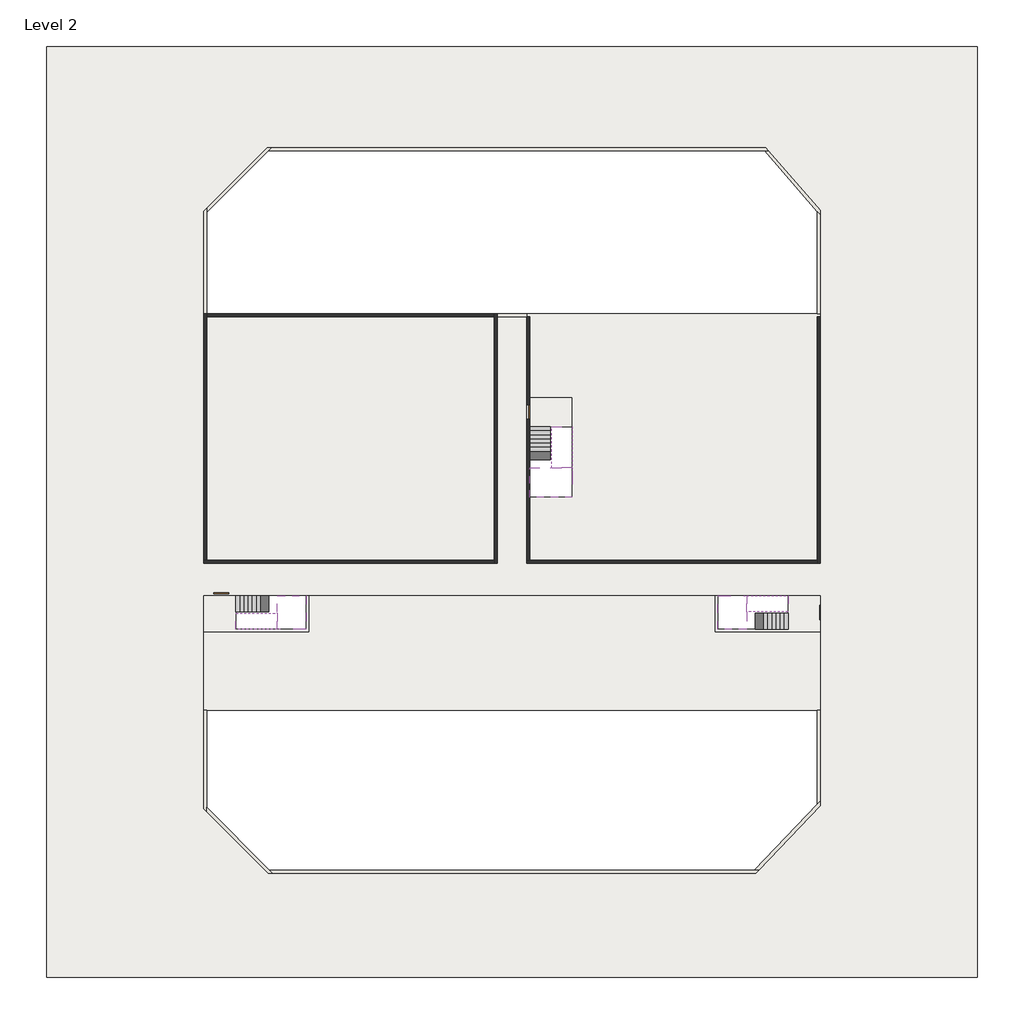
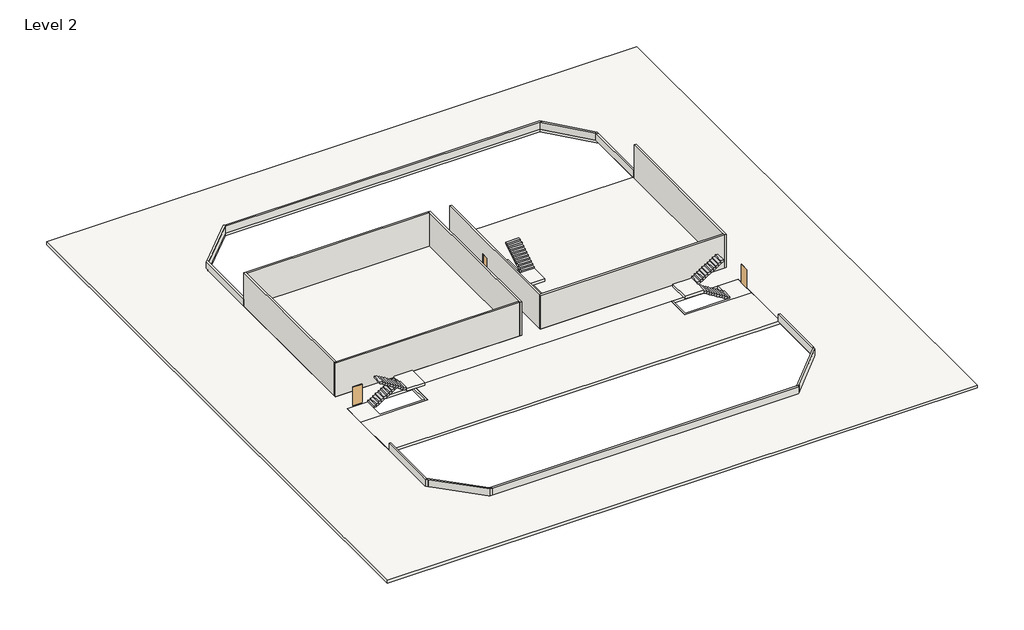
# One storey: 18 walls, 6 slabs, 6 stair flights, 3 doors.
"""IFC4 building model written with IfcOpenShell, lengths in millimetres."""

import ifcopenshell
import ifcopenshell.guid

model = None  # the IFC model being written
_history = None  # IfcOwnerHistory: only IFC2X3 demands one
_inside = {}  # id of a spatial element -> (the spatial element, [elements in it])
_under = {}  # id of a project, library or spatial element -> (it, [spatial elements below it])
_declared = {}  # id of a project -> (the project, [libraries it declares])
_typed = {}  # id of a type object -> (the type object, [elements of that type])
_made_of = {}  # id of a material, layer set ... -> (it, [elements and type objects made of it])


def new_model(schema):
    """Start an empty IFC model of exactly this schema.

    Asked for "IFC4X3", IfcOpenShell would pick the latest addendum, in which some entities
    have other attributes; the version numbers below select the first issue.
    IFC2X3 requires an IfcOwnerHistory on every rooted entity: one is made here for all.
    """
    global model, _history
    if schema == "IFC4X3":
        model = ifcopenshell.file(schema_version=(4, 3, 0, 0))
    else:
        model = ifcopenshell.file(schema=schema)
    _inside.clear()
    _under.clear()
    _declared.clear()
    _typed.clear()
    _made_of.clear()
    _history = None
    if model.schema == "IFC2X3":
        org = make("IfcOrganization", Name="unknown")
        user = make(
            "IfcPersonAndOrganization",
            ThePerson=make("IfcPerson", FamilyName="unknown"),
            TheOrganization=org,
        )
        app = make(
            "IfcApplication",
            ApplicationDeveloper=org,
            Version="unknown",
            ApplicationFullName="unknown",
            ApplicationIdentifier="unknown",
        )
        _history = make(
            "IfcOwnerHistory",
            OwningUser=user,
            OwningApplication=app,
            ChangeAction="ADDED",
            CreationDate=0,
        )
    return model


def make(cls, **values):
    """One entity of the class cls with the attributes given. An attribute that is None is left unset."""
    return model.create_entity(
        cls, **{name: value for name, value in values.items() if value is not None}
    )


def rooted(cls, **values):
    """An entity with a GlobalId (a new one), such as an element, a storey or a relation."""
    return make(cls, GlobalId=ifcopenshell.guid.new(), OwnerHistory=_history, **values)


def si_unit(unit_type, name, prefix=None):
    """IfcSIUnit, for example si_unit("LENGTHUNIT", "METRE", prefix="MILLI")."""
    return make("IfcSIUnit", UnitType=unit_type, Prefix=prefix, Name=name)


def assignment(units):
    """IfcUnitAssignment: the units of a project."""
    return None if units is None else make("IfcUnitAssignment", Units=units)


def point(xyz):
    """IfcCartesianPoint."""
    return None if xyz is None else make("IfcCartesianPoint", Coordinates=xyz)


def direction(xyz):
    """IfcDirection."""
    return None if xyz is None else make("IfcDirection", DirectionRatios=xyz)


def frame(location, z_axis=None, x_axis=None):
    """IfcAxis2Placement3D, a coordinate frame: its origin and axes. An axis left out is left unset."""
    return make(
        "IfcAxis2Placement3D",
        Location=point(location),
        Axis=direction(z_axis),
        RefDirection=direction(x_axis),
    )


def origin():
    """The frame at (0, 0, 0) with its axes left unset."""
    return frame((0.0, 0.0, 0.0))


def origin_with_axes():
    """The frame at (0, 0, 0) with the z axis (0, 0, 1) and the x axis (1, 0, 0) written out."""
    return frame((0.0, 0.0, 0.0), z_axis=(0.0, 0.0, 1.0), x_axis=(1.0, 0.0, 0.0))


def place(relative_to, where):
    """IfcLocalPlacement: puts the frame where relative to a parent placement (None: the world)."""
    return make(
        "IfcLocalPlacement", PlacementRelTo=relative_to, RelativePlacement=where
    )


def context(
    kind, dimensions, precision=None, world=None, true_north=None, identifier=None
):
    """IfcGeometricRepresentationContext, for example the 3D "Model" context."""
    return make(
        "IfcGeometricRepresentationContext",
        ContextIdentifier=identifier,
        ContextType=kind,
        CoordinateSpaceDimension=dimensions,
        Precision=precision,
        WorldCoordinateSystem=world,
        TrueNorth=true_north,
    )


def project(units=None, contexts=None):
    """IfcProject with its units and contexts."""
    return rooted(
        "IfcProject",
        Name="project",
        RepresentationContexts=contexts,
        UnitsInContext=assignment(units),
    )


def spatial(cls, under=None, at=None, **own):
    """A site, building, storey or space (cls), placed at a placement, below another one or the project."""
    s = rooted(cls, ObjectPlacement=at, **own)
    if under is not None:
        _under.setdefault(under.id(), (under, []))[1].append(s)
    return s


def polyline(points):
    """IfcPolyline through the points."""
    return make("IfcPolyline", Points=[point(p) for p in points])


def outline(outer, holes=None, kind="AREA"):
    """IfcArbitraryClosedProfileDef: a profile drawn as a closed curve; with holes, ...WithVoids."""
    if holes is None:
        return make("IfcArbitraryClosedProfileDef", ProfileType=kind, OuterCurve=outer)
    return make(
        "IfcArbitraryProfileDefWithVoids",
        ProfileType=kind,
        OuterCurve=outer,
        InnerCurves=holes,
    )


def extrude(swept, where, along, depth):
    """IfcExtrudedAreaSolid: the profile swept, set in the frame where, extruded along a direction by depth."""
    return make(
        "IfcExtrudedAreaSolid",
        SweptArea=swept,
        Position=where,
        ExtrudedDirection=direction(along),
        Depth=depth,
    )


def faces_of(points, faces, orient=None, outer=None):
    """IfcFace entities. A face is a list of loops; a loop is a list of indices into points, from 0.

    orient and outer hold one flag for each loop. By default every Orientation is true, the
    first loop of a face is its IfcFaceOuterBound and the others are IfcFaceBound.
    """
    made = []
    for i, loops in enumerate(faces):
        bounds = []
        for j, loop in enumerate(loops):
            is_outer = j == 0 if outer is None else outer[i][j]
            bounds.append(
                make(
                    "IfcFaceOuterBound" if is_outer else "IfcFaceBound",
                    Bound=make("IfcPolyLoop", Polygon=[points[k] for k in loop]),
                    Orientation=True if orient is None else orient[i][j],
                )
            )
        made.append(make("IfcFace", Bounds=bounds))
    return made


def faceted_brep(points, faces, orient=None, outer=None, voids=None):
    """IfcFacetedBrep: a solid bounded by flat faces; with voids (closed shells), ...WithVoids."""
    shared = [point(p) for p in points]
    hull = make("IfcClosedShell", CfsFaces=faces_of(shared, faces, orient, outer))
    if voids is None:
        return make("IfcFacetedBrep", Outer=hull)
    return make(
        "IfcFacetedBrepWithVoids",
        Outer=hull,
        Voids=[
            make(cls, CfsFaces=faces_of(shared, fs, o, b)) for cls, fs, o, b in voids
        ],
    )


def shape(context_of_items, identifier, shape_type, items):
    """IfcShapeRepresentation: the items that make up one representation, for example the "Body"."""
    return make(
        "IfcShapeRepresentation",
        ContextOfItems=context_of_items,
        RepresentationIdentifier=identifier,
        RepresentationType=shape_type,
        Items=items,
    )


def source(mapping_origin, context_of_items, identifier, shape_type, items):
    """IfcRepresentationMap: a shape defined once, which mapped items show again and again."""
    return make(
        "IfcRepresentationMap",
        MappingOrigin=mapping_origin,
        MappedRepresentation=shape(context_of_items, identifier, shape_type, items),
    )


def transform(
    local_origin,
    x_axis=None,
    y_axis=None,
    z_axis=None,
    scale=None,
    scale2=None,
    scale3=None,
    uniform=True,
):
    """IfcCartesianTransformationOperator3D, or its non-uniform kind. x_axis, y_axis, z_axis: its Axis1, 2, 3."""
    if uniform:
        return make(
            "IfcCartesianTransformationOperator3D",
            Axis1=direction(x_axis),
            Axis2=direction(y_axis),
            LocalOrigin=point(local_origin),
            Scale=scale,
            Axis3=direction(z_axis),
        )
    return make(
        "IfcCartesianTransformationOperator3DnonUniform",
        Axis1=direction(x_axis),
        Axis2=direction(y_axis),
        LocalOrigin=point(local_origin),
        Scale=scale,
        Axis3=direction(z_axis),
        Scale2=scale2,
        Scale3=scale3,
    )


def mapped(mapping_source, mapping_target):
    """IfcMappedItem: shows the shape of a source again, moved by a transform."""
    return make(
        "IfcMappedItem", MappingSource=mapping_source, MappingTarget=mapping_target
    )


def made_of(thing, what):
    """Note that an element or type object is made of a material, layer set ...; save() writes the relation."""
    if what is not None:
        _made_of.setdefault(what.id(), (what, []))[1].append(thing)
    return thing


def element(
    cls,
    number,
    at=None,
    inside=None,
    cuts=None,
    type_object=None,
    material=None,
    context=None,
    identifier="Body",
    shape_type=None,
    held_by="IfcProductDefinitionShape",
    body=None,
    shapes=None,
    **own,
):
    """One element of the class cls, such as IfcWall. Its Tag is "e" and its number.

    at: its placement. inside: the storey or other place that contains it. cuts: it is an
    opening in that element (IfcRelVoidsElement). A single representation is given by context,
    identifier, shape_type and body (its items); several are given by shapes. held_by: the class
    of the entity that holds the representations. save() writes the other relations.
    """
    e = rooted(cls, Tag="e%d" % number, ObjectPlacement=at, **own)
    if body is not None:
        shapes = [shape(context, identifier, shape_type, body)]
    if shapes is not None:
        e.Representation = make(held_by, Representations=shapes)
    if inside is not None:
        _inside.setdefault(inside.id(), (inside, []))[1].append(e)
    if cuts is not None:
        rooted(
            "IfcRelVoidsElement", RelatingBuildingElement=cuts, RelatedOpeningElement=e
        )
    if type_object is not None:
        _typed.setdefault(type_object.id(), (type_object, []))[1].append(e)
    return made_of(e, material)


def aggregate(whole, parts):
    """IfcRelAggregates: a whole, such as a stair, and the parts it consists of."""
    return rooted("IfcRelAggregates", RelatingObject=whole, RelatedObjects=parts)


def save(model, path):
    """Write the relations noted so far, then the file.

    IfcRelAggregates (storeys below a building ...), IfcRelContainedInSpatialStructure (elements
    in a storey), IfcRelDefinesByType, IfcRelAssociatesMaterial and IfcRelDeclares: one each for
    every whole, place, type object, material and project.
    """
    for whole, parts in _under.values():
        aggregate(whole, parts)
    for where, things in _inside.values():
        rooted(
            "IfcRelContainedInSpatialStructure",
            RelatedElements=things,
            RelatingStructure=where,
        )
    for kind, things in _typed.values():
        rooted("IfcRelDefinesByType", RelatedObjects=things, RelatingType=kind)
    for what, things in _made_of.values():
        rooted("IfcRelAssociatesMaterial", RelatedObjects=things, RelatingMaterial=what)
    for by, libraries in _declared.values():
        rooted("IfcRelDeclares", RelatingContext=by, RelatedDefinitions=libraries)
    model.write(path)


def door_fb3c37fd(model_context):
    return source(origin(), model_context, "Body", "SweptSolid", [
        extrude(outline(polyline([(500.0, 49.0), (-500.0, 49.0), (-500.0, 100.0), (500.0, 100.0), (500.0, 49.0)])), origin_with_axes(), (0.0, 0.0, 1.0), 2100.0),
    ])


def door_0317a72c(model_context):
    return source(origin(), model_context, "Body", "SweptSolid", [
        extrude(outline(polyline([(500.0, -49.0), (500.0, -100.0), (-500.0, -100.0), (-500.0, -49.0), (500.0, -49.0)])), origin_with_axes(), (0.0, 0.0, 1.0), 2100.0),
    ])


model = new_model("IFC4")

# Units and contexts
model_context = context("Model", 3, world=origin())
ifc_project = project(units=[si_unit("LENGTHUNIT", "METRE", prefix="MILLI")], contexts=[model_context])

# Site, building, storey
site = spatial("IfcSite", under=ifc_project)
building = spatial("IfcBuilding", under=site)
storey = spatial("IfcBuildingStorey", under=building, Name="Level 2", Elevation=3800.0)

# Doors
placement = place(None, origin())
door_shape = door_fb3c37fd(model_context)
element("IfcDoor", 1, at=placement, inside=storey, context=model_context, shape_type="MappedRepresentation", body=[
    mapped(door_shape, transform((45090.1058784, -44068.09644, 3800.0), x_axis=(0.0, -1.0, 0.0), y_axis=(1.0, 0.0, 0.0), z_axis=(0.0, 0.0, 1.0))),
])
door_2_shape = door_0317a72c(model_context)
element("IfcDoor", 2, at=placement, inside=storey, context=model_context, shape_type="MappedRepresentation", body=[
    mapped(door_2_shape, transform((25290.1058784, -30418.09644, 3800.0), x_axis=(0.0, 1.0, 0.0), y_axis=(-1.0, 0.0, 0.0), z_axis=(0.0, 0.0, 1.0))),
])
element("IfcDoor", 3, at=placement, inside=storey, context=model_context, shape_type="MappedRepresentation", body=[
    mapped(door_2_shape, transform((4390.1058784, -42818.09644, 3800.0), x_axis=(-1.0, 0.0, 0.0), y_axis=(0.0, -1.0, 0.0), z_axis=(0.0, 0.0, 1.0))),
])

# Slabs
element("IfcSlab", 4, at=placement, inside=storey, context=model_context, shape_type="Brep", body=[
    faceted_brep([(8190.1058784, -42918.09644, 5700.0), (8190.1058784, -44018.09644, 5700.0), (8190.1058784, -44118.09644, 5700.0), (8190.1058784, -45218.09644, 5700.0), (8390.7194421, -45218.09644, 5700.0), (10190.1058784, -45218.09644, 5700.0), (10190.1058784, -42918.09644, 5700.0), (8269.4923146, -42918.09644, 5700.0), (8190.1058784, -42918.09644, 5527.2727273), (8190.1058784, -42918.09644, 5351.0278478), (8190.1058784, -44018.09644, 5351.0278478), (8190.1058784, -44018.09644, 5400.0), (8190.1058784, -44118.09644, 5400.0), (8190.1058784, -44118.09644, 5523.7551205), (8190.1058784, -45218.09644, 5523.7551205), (8390.7194421, -45218.09644, 5400.0), (10190.1058784, -45218.09644, 5400.0), (10190.1058784, -42918.09644, 5400.0), (8269.4923146, -42918.09644, 5400.0), (8390.7194421, -44118.09644, 5400.0), (8269.4923146, -44018.09644, 5400.0)], [[[0, 1, 2, 3, 4, 5, 6, 7]], [[1, 0, 8, 9, 10, 11]], [[2, 1, 11, 12, 13]], [[3, 2, 13, 14]], [[3, 14, 15, 16, 5, 4]], [[6, 5, 16, 17]], [[9, 8, 0, 7, 6, 17, 18]], [[19, 12, 11, 20, 18, 17, 16, 15]], [[12, 19, 13]], [[18, 20, 10, 9]], [[20, 11, 10]], [[19, 15, 14, 13]]]),
])
element("IfcSlab", 5, at=placement, inside=storey, context=model_context, shape_type="Brep", body=[
    faceted_brep([(40190.1058784, -45218.09644, 5700.0), (40190.1058784, -44118.09644, 5700.0), (40190.1058784, -44018.09644, 5700.0), (40190.1058784, -42918.09644, 5700.0), (39989.4923146, -42918.09644, 5700.0), (38190.1058784, -42918.09644, 5700.0), (38190.1058784, -45218.09644, 5700.0), (40110.7194421, -45218.09644, 5700.0), (40190.1058784, -45218.09644, 5527.2727273), (40190.1058784, -45218.09644, 5351.0278478), (40190.1058784, -44118.09644, 5351.0278478), (40190.1058784, -44118.09644, 5400.0), (40190.1058784, -44018.09644, 5400.0), (40190.1058784, -44018.09644, 5523.7551205), (40190.1058784, -42918.09644, 5523.7551205), (39989.4923146, -42918.09644, 5400.0), (38190.1058784, -42918.09644, 5400.0), (38190.1058784, -45218.09644, 5400.0), (40110.7194421, -45218.09644, 5400.0), (39989.4923146, -44018.09644, 5400.0), (40110.7194421, -44118.09644, 5400.0)], [[[0, 1, 2, 3, 4, 5, 6, 7]], [[1, 0, 8, 9, 10, 11]], [[2, 1, 11, 12, 13]], [[3, 2, 13, 14]], [[3, 14, 15, 16, 5, 4]], [[6, 5, 16, 17]], [[9, 8, 0, 7, 6, 17, 18]], [[19, 12, 11, 20, 18, 17, 16, 15]], [[12, 19, 13]], [[18, 20, 10, 9]], [[20, 11, 10]], [[19, 15, 14, 13]]]),
])
element("IfcSlab", 6, at=placement, inside=storey, context=model_context, shape_type="Brep", body=[
    faceted_brep([(26790.1058784, -34218.09644, 5700.0), (25390.1058784, -34218.09644, 5700.0), (25390.1058784, -34297.4828763, 5700.0), (25390.1058784, -36218.09644, 5700.0), (28290.1058784, -36218.09644, 5700.0), (28290.1058784, -34418.7100038, 5700.0), (28290.1058784, -34218.09644, 5700.0), (26890.1058784, -34218.09644, 5700.0), (26790.1058784, -34218.09644, 5400.0), (26790.1058784, -34218.09644, 5351.0278478), (25390.1058784, -34218.09644, 5351.0278478), (25390.1058784, -34218.09644, 5527.2727273), (25390.1058784, -34297.4828763, 5400.0), (25390.1058784, -36218.09644, 5400.0), (28290.1058784, -36218.09644, 5400.0), (28290.1058784, -34418.7100038, 5400.0), (28290.1058784, -34218.09644, 5523.7551205), (26890.1058784, -34218.09644, 5523.7551205), (26890.1058784, -34218.09644, 5400.0), (26890.1058784, -34418.7100038, 5400.0), (26790.1058784, -34297.4828763, 5400.0)], [[[0, 1, 2, 3, 4, 5, 6, 7]], [[1, 0, 8, 9, 10, 11]], [[1, 11, 10, 12, 13, 3, 2]], [[4, 3, 13, 14]], [[4, 14, 15, 16, 6, 5]], [[7, 6, 16, 17]], [[0, 7, 17, 18, 8]], [[18, 19, 15, 14, 13, 12, 20, 8]], [[19, 18, 17]], [[20, 12, 10, 9]], [[8, 20, 9]], [[15, 19, 17, 16]]]),
])
element("IfcSlab", 7, at=placement, inside=storey, context=model_context, shape_type="SweptSolid", body=[
    extrude(outline(polyline([(55890.1058784, -5518.09644), (55890.1058784, -68918.09644), (-7509.8941216, -68918.09644), (-7509.8941216, -5518.09644), (55890.1058784, -5518.09644)]), holes=[polyline([(45190.1058784, -56928.754068), (45190.1058784, -42918.09644), (3190.1058784, -42918.09644), (3190.1058784, -57135.2537276), (7672.9485909, -61618.09644), (40704.6479573, -61618.09644), (45190.1058784, -56928.754068)]), polyline([(25190.1058784, -23718.09644), (25190.1058784, -40718.09644), (45190.1058784, -40718.09644), (45190.1058784, -23718.09644), (45190.1058784, -16988.0227586), (41391.3868844, -12618.09644), (7590.1058784, -12618.09644), (3190.1058784, -17018.09644), (3190.1058784, -23718.09644), (3190.1058784, -40718.09644), (23190.1058784, -40718.09644), (23190.1058784, -23718.09644), (25190.1058784, -23718.09644)])]), frame((0.0, 0.0, 3500.0), z_axis=(0.0, 0.0, 1.0), x_axis=(1.0, 0.0, 0.0)), (0.0, 0.0, 1.0), 300.0),
])
element("IfcSlab", 8, at=placement, inside=storey, context=model_context, shape_type="SweptSolid", body=[
    extrude(outline(polyline([(23190.1058784, -23718.09644), (23190.1058784, -40718.09644), (3190.1058784, -40718.09644), (3190.1058784, -23718.09644), (23190.1058784, -23718.09644)])), frame((0.0, 0.0, 3500.0), z_axis=(0.0, 0.0, 1.0), x_axis=(1.0, 0.0, 0.0)), (0.0, 0.0, 1.0), 300.0),
    extrude(outline(polyline([(25190.1058784, -29418.09644), (25190.1058784, -23718.09644), (45190.1058784, -23718.09644), (45190.1058784, -40718.09644), (25190.1058784, -40718.09644), (25190.1058784, -36218.09644), (28290.1058784, -36218.09644), (28290.1058784, -29418.09644), (25190.1058784, -29418.09644)])), frame((0.0, 0.0, 3500.0), z_axis=(0.0, 0.0, 1.0), x_axis=(1.0, 0.0, 0.0)), (0.0, 0.0, 1.0), 300.0),
    extrude(outline(polyline([(10390.1058784, -45418.09644), (10390.1058784, -42718.09644), (37990.1058784, -42718.09644), (37990.1058784, -45418.09644), (45190.1058784, -45418.09644), (45190.1058784, -50718.09644), (3190.1058784, -50718.09644), (3190.1058784, -45418.09644), (10390.1058784, -45418.09644)])), frame((0.0, 0.0, 3500.0), z_axis=(0.0, 0.0, 1.0), x_axis=(1.0, 0.0, 0.0)), (0.0, 0.0, 1.0), 300.0),
])
element("IfcSlab", 9, at=placement, inside=storey, context=model_context, shape_type="SweptSolid", body=[
    extrude(outline(polyline([(28290.1058784, -29418.09644), (28290.1058784, -31418.09644), (25190.1058784, -31418.09644), (25190.1058784, -29418.09644), (28290.1058784, -29418.09644)])), frame((0.0, 0.0, 3500.0), z_axis=(0.0, 0.0, 1.0), x_axis=(1.0, 0.0, 0.0)), (0.0, 0.0, 1.0), 300.0),
    extrude(outline(polyline([(10390.1058784, -42918.09644), (10390.1058784, -45418.09644), (3190.1058784, -45418.09644), (3190.1058784, -42918.09644), (5390.1058784, -42918.09644), (5390.1058784, -45218.09644), (10190.1058784, -45218.09644), (10190.1058784, -42918.09644), (10390.1058784, -42918.09644)])), frame((0.0, 0.0, 3500.0), z_axis=(0.0, 0.0, 1.0), x_axis=(1.0, 0.0, 0.0)), (0.0, 0.0, 1.0), 300.0),
    extrude(outline(polyline([(45190.1058784, -42918.09644), (45190.1058784, -45418.09644), (37990.1058784, -45418.09644), (37990.1058784, -42918.09644), (38190.1058784, -42918.09644), (38190.1058784, -45218.09644), (42990.1058784, -45218.09644), (42990.1058784, -42918.09644), (45190.1058784, -42918.09644)])), frame((0.0, 0.0, 3500.0), z_axis=(0.0, 0.0, 1.0), x_axis=(1.0, 0.0, 0.0)), (0.0, 0.0, 1.0), 300.0),
])

# Stair flights
element("IfcStairFlight", 10, at=placement, inside=storey, context=model_context, shape_type="Brep", body=[
    faceted_brep([(5670.1058784, -42918.09644, 3972.7272727), (5390.1058784, -42918.09644, 3972.7272727), (5390.1058784, -44018.09644, 3972.7272727), (5670.1058784, -44018.09644, 3972.7272727), (5670.1058784, -42918.09644, 3800.0), (5390.1058784, -42918.09644, 3800.0), (5390.1058784, -44018.09644, 3800.0), (5670.1058784, -44018.09644, 3800.0), (5950.1058784, -42918.09644, 4145.4545455), (5670.1058784, -42918.09644, 4145.4545455), (5670.1058784, -44018.09644, 4145.4545455), (5950.1058784, -44018.09644, 4145.4545455), (5950.1058784, -42918.09644, 3969.209666), (5675.8081041, -42918.09644, 3800.0), (5675.8081041, -44018.09644, 3800.0), (5950.1058784, -44018.09644, 3969.209666), (6230.1058784, -42918.09644, 4318.1818182), (5950.1058784, -42918.09644, 4318.1818182), (5950.1058784, -44018.09644, 4318.1818182), (6230.1058784, -44018.09644, 4318.1818182), (6230.1058784, -42918.09644, 4141.9369387), (6230.1058784, -44018.09644, 4141.9369387), (6510.1058784, -42918.09644, 4490.9090909), (6230.1058784, -42918.09644, 4490.9090909), (6230.1058784, -44018.09644, 4490.9090909), (6510.1058784, -44018.09644, 4490.9090909), (6510.1058784, -42918.09644, 4314.6642114), (6510.1058784, -44018.09644, 4314.6642114), (6790.1058784, -42918.09644, 4663.6363636), (6510.1058784, -42918.09644, 4663.6363636), (6510.1058784, -44018.09644, 4663.6363636), (6790.1058784, -44018.09644, 4663.6363636), (6790.1058784, -42918.09644, 4487.3914841), (6790.1058784, -44018.09644, 4487.3914841), (7070.1058784, -42918.09644, 4836.3636364), (6790.1058784, -42918.09644, 4836.3636364), (6790.1058784, -44018.09644, 4836.3636364), (7070.1058784, -44018.09644, 4836.3636364), (7070.1058784, -42918.09644, 4660.1187569), (7070.1058784, -44018.09644, 4660.1187569), (7350.1058784, -42918.09644, 5009.0909091), (7070.1058784, -42918.09644, 5009.0909091), (7070.1058784, -44018.09644, 5009.0909091), (7350.1058784, -44018.09644, 5009.0909091), (7350.1058784, -42918.09644, 4832.8460296), (7350.1058784, -44018.09644, 4832.8460296), (7630.1058784, -42918.09644, 5181.8181818), (7350.1058784, -42918.09644, 5181.8181818), (7350.1058784, -44018.09644, 5181.8181818), (7630.1058784, -44018.09644, 5181.8181818), (7630.1058784, -42918.09644, 5005.5733023), (7630.1058784, -44018.09644, 5005.5733023), (7910.1058784, -42918.09644, 5354.5454545), (7630.1058784, -42918.09644, 5354.5454545), (7630.1058784, -44018.09644, 5354.5454545), (7910.1058784, -44018.09644, 5354.5454545), (7910.1058784, -42918.09644, 5178.3005751), (7910.1058784, -44018.09644, 5178.3005751), (8190.1058784, -42918.09644, 5527.2727273), (7910.1058784, -42918.09644, 5527.2727273), (7910.1058784, -44018.09644, 5527.2727273), (8190.1058784, -44018.09644, 5527.2727273), (8190.1058784, -42918.09644, 5351.0278478), (8190.1058784, -44018.09644, 5351.0278478), (8190.1058784, -44018.09644, 5400.0)], [[[0, 1, 2, 3]], [[1, 0, 4, 5]], [[2, 1, 5, 6]], [[3, 2, 6, 7]], [[8, 9, 10, 11]], [[4, 0, 9, 8, 12, 13]], [[0, 3, 10, 9]], [[3, 7, 14, 15, 11, 10]], [[16, 17, 18, 19]], [[17, 16, 20, 12, 8]], [[8, 11, 18, 17]], [[19, 18, 11, 15, 21]], [[22, 23, 24, 25]], [[23, 22, 26, 20, 16]], [[16, 19, 24, 23]], [[25, 24, 19, 21, 27]], [[28, 29, 30, 31]], [[29, 28, 32, 26, 22]], [[22, 25, 30, 29]], [[31, 30, 25, 27, 33]], [[34, 35, 36, 37]], [[35, 34, 38, 32, 28]], [[28, 31, 36, 35]], [[37, 36, 31, 33, 39]], [[40, 41, 42, 43]], [[41, 40, 44, 38, 34]], [[34, 37, 42, 41]], [[43, 42, 37, 39, 45]], [[46, 47, 48, 49]], [[47, 46, 50, 44, 40]], [[40, 43, 48, 47]], [[49, 48, 43, 45, 51]], [[52, 53, 54, 55]], [[53, 52, 56, 50, 46]], [[46, 49, 54, 53]], [[55, 54, 49, 51, 57]], [[58, 59, 60, 61]], [[59, 58, 62, 56, 52]], [[52, 55, 60, 59]], [[61, 60, 55, 57, 63, 64]], [[58, 61, 64, 63, 62]], [[5, 4, 13, 14, 7, 6]], [[14, 13, 12, 20, 26, 32, 38, 44, 50, 56, 62, 63, 57, 51, 45, 39, 33, 27, 21, 15]]]),
])
element("IfcStairFlight", 11, at=placement, inside=storey, context=model_context, shape_type="Brep", body=[
    faceted_brep([(7910.1058784, -45218.09644, 5872.7272727), (8190.1058784, -45218.09644, 5872.7272727), (8190.1058784, -44118.09644, 5872.7272727), (7910.1058784, -44118.09644, 5872.7272727), (7910.1058784, -45218.09644, 5696.4823932), (8190.1058784, -45218.09644, 5523.7551205), (8190.1058784, -45218.09644, 5700.0), (8190.1058784, -44118.09644, 5523.7551205), (7910.1058784, -44118.09644, 5696.4823932), (7630.1058784, -45218.09644, 6045.4545455), (7910.1058784, -45218.09644, 6045.4545455), (7910.1058784, -44118.09644, 6045.4545455), (7630.1058784, -44118.09644, 6045.4545455), (7630.1058784, -45218.09644, 5869.209666), (7630.1058784, -44118.09644, 5869.209666), (7350.1058784, -45218.09644, 6218.1818182), (7630.1058784, -45218.09644, 6218.1818182), (7630.1058784, -44118.09644, 6218.1818182), (7350.1058784, -44118.09644, 6218.1818182), (7350.1058784, -45218.09644, 6041.9369387), (7350.1058784, -44118.09644, 6041.9369387), (7070.1058784, -45218.09644, 6390.9090909), (7350.1058784, -45218.09644, 6390.9090909), (7350.1058784, -44118.09644, 6390.9090909), (7070.1058784, -44118.09644, 6390.9090909), (7070.1058784, -45218.09644, 6214.6642114), (7070.1058784, -44118.09644, 6214.6642114), (6790.1058784, -45218.09644, 6563.6363636), (7070.1058784, -45218.09644, 6563.6363636), (7070.1058784, -44118.09644, 6563.6363636), (6790.1058784, -44118.09644, 6563.6363636), (6790.1058784, -45218.09644, 6387.3914841), (6790.1058784, -44118.09644, 6387.3914841), (6510.1058784, -45218.09644, 6736.3636364), (6790.1058784, -45218.09644, 6736.3636364), (6790.1058784, -44118.09644, 6736.3636364), (6510.1058784, -44118.09644, 6736.3636364), (6510.1058784, -45218.09644, 6560.1187569), (6510.1058784, -44118.09644, 6560.1187569), (6230.1058784, -45218.09644, 6909.0909091), (6510.1058784, -45218.09644, 6909.0909091), (6510.1058784, -44118.09644, 6909.0909091), (6230.1058784, -44118.09644, 6909.0909091), (6230.1058784, -45218.09644, 6732.8460296), (6230.1058784, -44118.09644, 6732.8460296), (5950.1058784, -45218.09644, 7081.8181818), (6230.1058784, -45218.09644, 7081.8181818), (6230.1058784, -44118.09644, 7081.8181818), (5950.1058784, -44118.09644, 7081.8181818), (5950.1058784, -45218.09644, 6905.5733023), (5950.1058784, -44118.09644, 6905.5733023), (5670.1058784, -45218.09644, 7254.5454545), (5950.1058784, -45218.09644, 7254.5454545), (5950.1058784, -44118.09644, 7254.5454545), (5670.1058784, -44118.09644, 7254.5454545), (5670.1058784, -45218.09644, 7078.3005751), (5670.1058784, -44118.09644, 7078.3005751), (5390.1058784, -45218.09644, 7427.2727273), (5670.1058784, -45218.09644, 7427.2727273), (5670.1058784, -44118.09644, 7427.2727273), (5390.1058784, -44118.09644, 7427.2727273), (5390.1058784, -45218.09644, 7251.0278478), (5390.1058784, -44118.09644, 7251.0278478)], [[[0, 1, 2, 3]], [[1, 0, 4, 5, 6]], [[2, 1, 6, 5, 7]], [[3, 2, 7, 8]], [[9, 10, 11, 12]], [[10, 9, 13, 4, 0]], [[11, 10, 0, 3]], [[12, 11, 3, 8, 14]], [[15, 16, 17, 18]], [[16, 15, 19, 13, 9]], [[17, 16, 9, 12]], [[18, 17, 12, 14, 20]], [[21, 22, 23, 24]], [[22, 21, 25, 19, 15]], [[23, 22, 15, 18]], [[24, 23, 18, 20, 26]], [[27, 28, 29, 30]], [[28, 27, 31, 25, 21]], [[29, 28, 21, 24]], [[30, 29, 24, 26, 32]], [[33, 34, 35, 36]], [[34, 33, 37, 31, 27]], [[35, 34, 27, 30]], [[36, 35, 30, 32, 38]], [[39, 40, 41, 42]], [[40, 39, 43, 37, 33]], [[41, 40, 33, 36]], [[42, 41, 36, 38, 44]], [[45, 46, 47, 48]], [[46, 45, 49, 43, 39]], [[47, 46, 39, 42]], [[48, 47, 42, 44, 50]], [[51, 52, 53, 54]], [[52, 51, 55, 49, 45]], [[53, 52, 45, 48]], [[54, 53, 48, 50, 56]], [[57, 58, 59, 60]], [[58, 57, 61, 55, 51]], [[59, 58, 51, 54]], [[60, 59, 54, 56, 62]], [[57, 60, 62, 61]], [[5, 4, 13, 19, 25, 31, 37, 43, 49, 55, 61, 62, 56, 50, 44, 38, 32, 26, 20, 14, 8, 7]]]),
])
element("IfcStairFlight", 12, at=placement, inside=storey, context=model_context, shape_type="Brep", body=[
    faceted_brep([(42710.1058784, -45218.09644, 3972.7272727), (42990.1058784, -45218.09644, 3972.7272727), (42990.1058784, -44118.09644, 3972.7272727), (42710.1058784, -44118.09644, 3972.7272727), (42710.1058784, -45218.09644, 3800.0), (42990.1058784, -45218.09644, 3800.0), (42990.1058784, -44118.09644, 3800.0), (42710.1058784, -44118.09644, 3800.0), (42430.1058784, -45218.09644, 4145.4545455), (42710.1058784, -45218.09644, 4145.4545455), (42710.1058784, -44118.09644, 4145.4545455), (42430.1058784, -44118.09644, 4145.4545455), (42430.1058784, -45218.09644, 3969.209666), (42704.4036527, -45218.09644, 3800.0), (42704.4036527, -44118.09644, 3800.0), (42430.1058784, -44118.09644, 3969.209666), (42150.1058784, -45218.09644, 4318.1818182), (42430.1058784, -45218.09644, 4318.1818182), (42430.1058784, -44118.09644, 4318.1818182), (42150.1058784, -44118.09644, 4318.1818182), (42150.1058784, -45218.09644, 4141.9369387), (42150.1058784, -44118.09644, 4141.9369387), (41870.1058784, -45218.09644, 4490.9090909), (42150.1058784, -45218.09644, 4490.9090909), (42150.1058784, -44118.09644, 4490.9090909), (41870.1058784, -44118.09644, 4490.9090909), (41870.1058784, -45218.09644, 4314.6642114), (41870.1058784, -44118.09644, 4314.6642114), (41590.1058784, -45218.09644, 4663.6363636), (41870.1058784, -45218.09644, 4663.6363636), (41870.1058784, -44118.09644, 4663.6363636), (41590.1058784, -44118.09644, 4663.6363636), (41590.1058784, -45218.09644, 4487.3914841), (41590.1058784, -44118.09644, 4487.3914841), (41310.1058784, -45218.09644, 4836.3636364), (41590.1058784, -45218.09644, 4836.3636364), (41590.1058784, -44118.09644, 4836.3636364), (41310.1058784, -44118.09644, 4836.3636364), (41310.1058784, -45218.09644, 4660.1187569), (41310.1058784, -44118.09644, 4660.1187569), (41030.1058784, -45218.09644, 5009.0909091), (41310.1058784, -45218.09644, 5009.0909091), (41310.1058784, -44118.09644, 5009.0909091), (41030.1058784, -44118.09644, 5009.0909091), (41030.1058784, -45218.09644, 4832.8460296), (41030.1058784, -44118.09644, 4832.8460296), (40750.1058784, -45218.09644, 5181.8181818), (41030.1058784, -45218.09644, 5181.8181818), (41030.1058784, -44118.09644, 5181.8181818), (40750.1058784, -44118.09644, 5181.8181818), (40750.1058784, -45218.09644, 5005.5733023), (40750.1058784, -44118.09644, 5005.5733023), (40470.1058784, -45218.09644, 5354.5454545), (40750.1058784, -45218.09644, 5354.5454545), (40750.1058784, -44118.09644, 5354.5454545), (40470.1058784, -44118.09644, 5354.5454545), (40470.1058784, -45218.09644, 5178.3005751), (40470.1058784, -44118.09644, 5178.3005751), (40190.1058784, -45218.09644, 5527.2727273), (40470.1058784, -45218.09644, 5527.2727273), (40470.1058784, -44118.09644, 5527.2727273), (40190.1058784, -44118.09644, 5527.2727273), (40190.1058784, -45218.09644, 5351.0278478), (40190.1058784, -44118.09644, 5351.0278478), (40190.1058784, -44118.09644, 5400.0)], [[[0, 1, 2, 3]], [[1, 0, 4, 5]], [[2, 1, 5, 6]], [[3, 2, 6, 7]], [[8, 9, 10, 11]], [[4, 0, 9, 8, 12, 13]], [[0, 3, 10, 9]], [[3, 7, 14, 15, 11, 10]], [[16, 17, 18, 19]], [[17, 16, 20, 12, 8]], [[8, 11, 18, 17]], [[19, 18, 11, 15, 21]], [[22, 23, 24, 25]], [[23, 22, 26, 20, 16]], [[16, 19, 24, 23]], [[25, 24, 19, 21, 27]], [[28, 29, 30, 31]], [[29, 28, 32, 26, 22]], [[22, 25, 30, 29]], [[31, 30, 25, 27, 33]], [[34, 35, 36, 37]], [[35, 34, 38, 32, 28]], [[28, 31, 36, 35]], [[37, 36, 31, 33, 39]], [[40, 41, 42, 43]], [[41, 40, 44, 38, 34]], [[34, 37, 42, 41]], [[43, 42, 37, 39, 45]], [[46, 47, 48, 49]], [[47, 46, 50, 44, 40]], [[40, 43, 48, 47]], [[49, 48, 43, 45, 51]], [[52, 53, 54, 55]], [[53, 52, 56, 50, 46]], [[46, 49, 54, 53]], [[55, 54, 49, 51, 57]], [[58, 59, 60, 61]], [[59, 58, 62, 56, 52]], [[52, 55, 60, 59]], [[61, 60, 55, 57, 63, 64]], [[58, 61, 64, 63, 62]], [[5, 4, 13, 14, 7, 6]], [[14, 13, 12, 20, 26, 32, 38, 44, 50, 56, 62, 63, 57, 51, 45, 39, 33, 27, 21, 15]]]),
])
element("IfcStairFlight", 13, at=placement, inside=storey, context=model_context, shape_type="Brep", body=[
    faceted_brep([(40470.1058784, -42918.09644, 5872.7272727), (40190.1058784, -42918.09644, 5872.7272727), (40190.1058784, -44018.09644, 5872.7272727), (40470.1058784, -44018.09644, 5872.7272727), (40470.1058784, -42918.09644, 5696.4823932), (40190.1058784, -42918.09644, 5523.7551205), (40190.1058784, -42918.09644, 5700.0), (40190.1058784, -44018.09644, 5523.7551205), (40470.1058784, -44018.09644, 5696.4823932), (40750.1058784, -42918.09644, 6045.4545455), (40470.1058784, -42918.09644, 6045.4545455), (40470.1058784, -44018.09644, 6045.4545455), (40750.1058784, -44018.09644, 6045.4545455), (40750.1058784, -42918.09644, 5869.209666), (40750.1058784, -44018.09644, 5869.209666), (41030.1058784, -42918.09644, 6218.1818182), (40750.1058784, -42918.09644, 6218.1818182), (40750.1058784, -44018.09644, 6218.1818182), (41030.1058784, -44018.09644, 6218.1818182), (41030.1058784, -42918.09644, 6041.9369387), (41030.1058784, -44018.09644, 6041.9369387), (41310.1058784, -42918.09644, 6390.9090909), (41030.1058784, -42918.09644, 6390.9090909), (41030.1058784, -44018.09644, 6390.9090909), (41310.1058784, -44018.09644, 6390.9090909), (41310.1058784, -42918.09644, 6214.6642114), (41310.1058784, -44018.09644, 6214.6642114), (41590.1058784, -42918.09644, 6563.6363636), (41310.1058784, -42918.09644, 6563.6363636), (41310.1058784, -44018.09644, 6563.6363636), (41590.1058784, -44018.09644, 6563.6363636), (41590.1058784, -42918.09644, 6387.3914841), (41590.1058784, -44018.09644, 6387.3914841), (41870.1058784, -42918.09644, 6736.3636364), (41590.1058784, -42918.09644, 6736.3636364), (41590.1058784, -44018.09644, 6736.3636364), (41870.1058784, -44018.09644, 6736.3636364), (41870.1058784, -42918.09644, 6560.1187569), (41870.1058784, -44018.09644, 6560.1187569), (42150.1058784, -42918.09644, 6909.0909091), (41870.1058784, -42918.09644, 6909.0909091), (41870.1058784, -44018.09644, 6909.0909091), (42150.1058784, -44018.09644, 6909.0909091), (42150.1058784, -42918.09644, 6732.8460296), (42150.1058784, -44018.09644, 6732.8460296), (42430.1058784, -42918.09644, 7081.8181818), (42150.1058784, -42918.09644, 7081.8181818), (42150.1058784, -44018.09644, 7081.8181818), (42430.1058784, -44018.09644, 7081.8181818), (42430.1058784, -42918.09644, 6905.5733023), (42430.1058784, -44018.09644, 6905.5733023), (42710.1058784, -42918.09644, 7254.5454545), (42430.1058784, -42918.09644, 7254.5454545), (42430.1058784, -44018.09644, 7254.5454545), (42710.1058784, -44018.09644, 7254.5454545), (42710.1058784, -42918.09644, 7078.3005751), (42710.1058784, -44018.09644, 7078.3005751), (42990.1058784, -42918.09644, 7427.2727273), (42710.1058784, -42918.09644, 7427.2727273), (42710.1058784, -44018.09644, 7427.2727273), (42990.1058784, -44018.09644, 7427.2727273), (42990.1058784, -42918.09644, 7251.0278478), (42990.1058784, -44018.09644, 7251.0278478)], [[[0, 1, 2, 3]], [[1, 0, 4, 5, 6]], [[2, 1, 6, 5, 7]], [[3, 2, 7, 8]], [[9, 10, 11, 12]], [[10, 9, 13, 4, 0]], [[11, 10, 0, 3]], [[12, 11, 3, 8, 14]], [[15, 16, 17, 18]], [[16, 15, 19, 13, 9]], [[17, 16, 9, 12]], [[18, 17, 12, 14, 20]], [[21, 22, 23, 24]], [[22, 21, 25, 19, 15]], [[23, 22, 15, 18]], [[24, 23, 18, 20, 26]], [[27, 28, 29, 30]], [[28, 27, 31, 25, 21]], [[29, 28, 21, 24]], [[30, 29, 24, 26, 32]], [[33, 34, 35, 36]], [[34, 33, 37, 31, 27]], [[35, 34, 27, 30]], [[36, 35, 30, 32, 38]], [[39, 40, 41, 42]], [[40, 39, 43, 37, 33]], [[41, 40, 33, 36]], [[42, 41, 36, 38, 44]], [[45, 46, 47, 48]], [[46, 45, 49, 43, 39]], [[47, 46, 39, 42]], [[48, 47, 42, 44, 50]], [[51, 52, 53, 54]], [[52, 51, 55, 49, 45]], [[53, 52, 45, 48]], [[54, 53, 48, 50, 56]], [[57, 58, 59, 60]], [[58, 57, 61, 55, 51]], [[59, 58, 51, 54]], [[60, 59, 54, 56, 62]], [[57, 60, 62, 61]], [[5, 4, 13, 19, 25, 31, 37, 43, 49, 55, 61, 62, 56, 50, 44, 38, 32, 26, 20, 14, 8, 7]]]),
])
element("IfcStairFlight", 14, at=placement, inside=storey, context=model_context, shape_type="Brep", body=[
    faceted_brep([(26790.1058784, -31698.09644, 3972.7272727), (26790.1058784, -31418.09644, 3972.7272727), (25390.1058784, -31418.09644, 3972.7272727), (25390.1058784, -31698.09644, 3972.7272727), (26790.1058784, -31698.09644, 3800.0), (26790.1058784, -31418.09644, 3800.0), (25390.1058784, -31418.09644, 3800.0), (25390.1058784, -31698.09644, 3800.0), (26790.1058784, -31978.09644, 4145.4545455), (26790.1058784, -31698.09644, 4145.4545455), (25390.1058784, -31698.09644, 4145.4545455), (25390.1058784, -31978.09644, 4145.4545455), (26790.1058784, -31978.09644, 3969.209666), (26790.1058784, -31703.7986657, 3800.0), (25390.1058784, -31703.7986657, 3800.0), (25390.1058784, -31978.09644, 3969.209666), (26790.1058784, -32258.09644, 4318.1818182), (26790.1058784, -31978.09644, 4318.1818182), (25390.1058784, -31978.09644, 4318.1818182), (25390.1058784, -32258.09644, 4318.1818182), (26790.1058784, -32258.09644, 4141.9369387), (25390.1058784, -32258.09644, 4141.9369387), (26790.1058784, -32538.09644, 4490.9090909), (26790.1058784, -32258.09644, 4490.9090909), (25390.1058784, -32258.09644, 4490.9090909), (25390.1058784, -32538.09644, 4490.9090909), (26790.1058784, -32538.09644, 4314.6642114), (25390.1058784, -32538.09644, 4314.6642114), (26790.1058784, -32818.09644, 4663.6363636), (26790.1058784, -32538.09644, 4663.6363636), (25390.1058784, -32538.09644, 4663.6363636), (25390.1058784, -32818.09644, 4663.6363636), (26790.1058784, -32818.09644, 4487.3914841), (25390.1058784, -32818.09644, 4487.3914841), (26790.1058784, -33098.09644, 4836.3636364), (26790.1058784, -32818.09644, 4836.3636364), (25390.1058784, -32818.09644, 4836.3636364), (25390.1058784, -33098.09644, 4836.3636364), (26790.1058784, -33098.09644, 4660.1187569), (25390.1058784, -33098.09644, 4660.1187569), (26790.1058784, -33378.09644, 5009.0909091), (26790.1058784, -33098.09644, 5009.0909091), (25390.1058784, -33098.09644, 5009.0909091), (25390.1058784, -33378.09644, 5009.0909091), (26790.1058784, -33378.09644, 4832.8460296), (25390.1058784, -33378.09644, 4832.8460296), (26790.1058784, -33658.09644, 5181.8181818), (26790.1058784, -33378.09644, 5181.8181818), (25390.1058784, -33378.09644, 5181.8181818), (25390.1058784, -33658.09644, 5181.8181818), (26790.1058784, -33658.09644, 5005.5733023), (25390.1058784, -33658.09644, 5005.5733023), (26790.1058784, -33938.09644, 5354.5454545), (26790.1058784, -33658.09644, 5354.5454545), (25390.1058784, -33658.09644, 5354.5454545), (25390.1058784, -33938.09644, 5354.5454545), (26790.1058784, -33938.09644, 5178.3005751), (25390.1058784, -33938.09644, 5178.3005751), (26790.1058784, -34218.09644, 5527.2727273), (26790.1058784, -33938.09644, 5527.2727273), (25390.1058784, -33938.09644, 5527.2727273), (25390.1058784, -34218.09644, 5527.2727273), (26790.1058784, -34218.09644, 5400.0), (26790.1058784, -34218.09644, 5351.0278478), (25390.1058784, -34218.09644, 5351.0278478)], [[[0, 1, 2, 3]], [[1, 0, 4, 5]], [[2, 1, 5, 6]], [[3, 2, 6, 7]], [[8, 9, 10, 11]], [[4, 0, 9, 8, 12, 13]], [[0, 3, 10, 9]], [[3, 7, 14, 15, 11, 10]], [[16, 17, 18, 19]], [[17, 16, 20, 12, 8]], [[8, 11, 18, 17]], [[19, 18, 11, 15, 21]], [[22, 23, 24, 25]], [[23, 22, 26, 20, 16]], [[16, 19, 24, 23]], [[25, 24, 19, 21, 27]], [[28, 29, 30, 31]], [[29, 28, 32, 26, 22]], [[22, 25, 30, 29]], [[31, 30, 25, 27, 33]], [[34, 35, 36, 37]], [[35, 34, 38, 32, 28]], [[28, 31, 36, 35]], [[37, 36, 31, 33, 39]], [[40, 41, 42, 43]], [[41, 40, 44, 38, 34]], [[34, 37, 42, 41]], [[43, 42, 37, 39, 45]], [[46, 47, 48, 49]], [[47, 46, 50, 44, 40]], [[40, 43, 48, 47]], [[49, 48, 43, 45, 51]], [[52, 53, 54, 55]], [[53, 52, 56, 50, 46]], [[46, 49, 54, 53]], [[55, 54, 49, 51, 57]], [[58, 59, 60, 61]], [[59, 58, 62, 63, 56, 52]], [[52, 55, 60, 59]], [[61, 60, 55, 57, 64]], [[58, 61, 64, 63, 62]], [[5, 4, 13, 14, 7, 6]], [[14, 13, 12, 20, 26, 32, 38, 44, 50, 56, 63, 64, 57, 51, 45, 39, 33, 27, 21, 15]]]),
])
element("IfcStairFlight", 15, at=placement, inside=storey, context=model_context, shape_type="Brep", body=[
    faceted_brep([(26890.1058784, -33938.09644, 5872.7272727), (26890.1058784, -34218.09644, 5872.7272727), (28290.1058784, -34218.09644, 5872.7272727), (28290.1058784, -33938.09644, 5872.7272727), (26890.1058784, -33938.09644, 5696.4823932), (26890.1058784, -34218.09644, 5523.7551205), (28290.1058784, -34218.09644, 5523.7551205), (28290.1058784, -34218.09644, 5700.0), (28290.1058784, -33938.09644, 5696.4823932), (26890.1058784, -33658.09644, 6045.4545455), (26890.1058784, -33938.09644, 6045.4545455), (28290.1058784, -33938.09644, 6045.4545455), (28290.1058784, -33658.09644, 6045.4545455), (26890.1058784, -33658.09644, 5869.209666), (28290.1058784, -33658.09644, 5869.209666), (26890.1058784, -33378.09644, 6218.1818182), (26890.1058784, -33658.09644, 6218.1818182), (28290.1058784, -33658.09644, 6218.1818182), (28290.1058784, -33378.09644, 6218.1818182), (26890.1058784, -33378.09644, 6041.9369387), (28290.1058784, -33378.09644, 6041.9369387), (26890.1058784, -33098.09644, 6390.9090909), (26890.1058784, -33378.09644, 6390.9090909), (28290.1058784, -33378.09644, 6390.9090909), (28290.1058784, -33098.09644, 6390.9090909), (26890.1058784, -33098.09644, 6214.6642114), (28290.1058784, -33098.09644, 6214.6642114), (26890.1058784, -32818.09644, 6563.6363636), (26890.1058784, -33098.09644, 6563.6363636), (28290.1058784, -33098.09644, 6563.6363636), (28290.1058784, -32818.09644, 6563.6363636), (26890.1058784, -32818.09644, 6387.3914841), (28290.1058784, -32818.09644, 6387.3914841), (26890.1058784, -32538.09644, 6736.3636364), (26890.1058784, -32818.09644, 6736.3636364), (28290.1058784, -32818.09644, 6736.3636364), (28290.1058784, -32538.09644, 6736.3636364), (26890.1058784, -32538.09644, 6560.1187569), (28290.1058784, -32538.09644, 6560.1187569), (26890.1058784, -32258.09644, 6909.0909091), (26890.1058784, -32538.09644, 6909.0909091), (28290.1058784, -32538.09644, 6909.0909091), (28290.1058784, -32258.09644, 6909.0909091), (26890.1058784, -32258.09644, 6732.8460296), (28290.1058784, -32258.09644, 6732.8460296), (26890.1058784, -31978.09644, 7081.8181818), (26890.1058784, -32258.09644, 7081.8181818), (28290.1058784, -32258.09644, 7081.8181818), (28290.1058784, -31978.09644, 7081.8181818), (26890.1058784, -31978.09644, 6905.5733023), (28290.1058784, -31978.09644, 6905.5733023), (26890.1058784, -31698.09644, 7254.5454545), (26890.1058784, -31978.09644, 7254.5454545), (28290.1058784, -31978.09644, 7254.5454545), (28290.1058784, -31698.09644, 7254.5454545), (26890.1058784, -31698.09644, 7078.3005751), (28290.1058784, -31698.09644, 7078.3005751), (26890.1058784, -31418.09644, 7427.2727273), (26890.1058784, -31698.09644, 7427.2727273), (28290.1058784, -31698.09644, 7427.2727273), (28290.1058784, -31418.09644, 7427.2727273), (26890.1058784, -31418.09644, 7251.0278478), (28290.1058784, -31418.09644, 7251.0278478)], [[[0, 1, 2, 3]], [[1, 0, 4, 5]], [[2, 1, 5, 6, 7]], [[3, 2, 7, 6, 8]], [[9, 10, 11, 12]], [[10, 9, 13, 4, 0]], [[11, 10, 0, 3]], [[12, 11, 3, 8, 14]], [[15, 16, 17, 18]], [[16, 15, 19, 13, 9]], [[17, 16, 9, 12]], [[18, 17, 12, 14, 20]], [[21, 22, 23, 24]], [[22, 21, 25, 19, 15]], [[23, 22, 15, 18]], [[24, 23, 18, 20, 26]], [[27, 28, 29, 30]], [[28, 27, 31, 25, 21]], [[29, 28, 21, 24]], [[30, 29, 24, 26, 32]], [[33, 34, 35, 36]], [[34, 33, 37, 31, 27]], [[35, 34, 27, 30]], [[36, 35, 30, 32, 38]], [[39, 40, 41, 42]], [[40, 39, 43, 37, 33]], [[41, 40, 33, 36]], [[42, 41, 36, 38, 44]], [[45, 46, 47, 48]], [[46, 45, 49, 43, 39]], [[47, 46, 39, 42]], [[48, 47, 42, 44, 50]], [[51, 52, 53, 54]], [[52, 51, 55, 49, 45]], [[53, 52, 45, 48]], [[54, 53, 48, 50, 56]], [[57, 58, 59, 60]], [[58, 57, 61, 55, 51]], [[59, 58, 51, 54]], [[60, 59, 54, 56, 62]], [[57, 60, 62, 61]], [[5, 4, 13, 19, 25, 31, 37, 43, 49, 55, 61, 62, 56, 50, 44, 38, 32, 26, 20, 14, 8, 6]]]),
])

# Walls
element("IfcWall", 16, at=placement, inside=storey, context=model_context, shape_type="Brep", body=[
    faceted_brep([(44990.1058784, -23918.09644, 7600.0), (44990.1058784, -23918.09644, 3800.0), (44990.1058784, -38618.09644, 3800.0), (44990.1058784, -40518.09644, 3800.0), (44990.1058784, -40718.09644, 3800.0), (44990.1058784, -40718.09644, 7600.0), (44990.1058784, -40518.09644, 7600.0), (45190.1058784, -23918.09644, 3800.0), (45190.1058784, -23918.09644, 7600.0), (45190.1058784, -40718.09644, 7600.0), (45190.1058784, -40718.09644, 3800.0), (45190.1058784, -38618.09644, 3800.0)], [[[0, 1, 2, 3, 4, 5, 6]], [[7, 8, 9, 10, 11]], [[4, 3, 2, 1, 7, 11, 10]], [[0, 6, 5, 9, 8]], [[5, 4, 10, 9]], [[0, 8, 7, 1]]]),
])
element("IfcWall", 17, at=placement, inside=storey, context=model_context, shape_type="Brep", body=[
    faceted_brep([(3190.1058784, -40718.09644, 3800.0), (22990.1058784, -40718.09644, 3800.0), (22990.1058784, -40718.09644, 7600.0), (3190.1058784, -40718.09644, 7600.0), (3190.1058784, -40518.09644, 3800.0), (3190.1058784, -40518.09644, 7600.0), (3390.1058784, -40518.09644, 7600.0), (22990.1058784, -40518.09644, 7600.0), (22990.1058784, -40518.09644, 3800.0), (3390.1058784, -40518.09644, 3800.0)], [[[0, 1, 2, 3]], [[4, 5, 6, 7, 8, 9]], [[1, 0, 4, 9, 8]], [[3, 2, 7, 6, 5]], [[0, 3, 5, 4]], [[2, 1, 8, 7]]]),
])
element("IfcWall", 18, at=placement, inside=storey, context=model_context, shape_type="Brep", body=[
    faceted_brep([(44990.1058784, -40518.09644, 3800.0), (25390.1058784, -40518.09644, 3800.0), (25190.1058784, -40518.09644, 3800.0), (25190.1058784, -40518.09644, 7600.0), (25390.1058784, -40518.09644, 7600.0), (44990.1058784, -40518.09644, 7600.0), (44990.1058784, -40718.09644, 3800.0), (44990.1058784, -40718.09644, 7600.0), (25190.1058784, -40718.09644, 7600.0), (25190.1058784, -40718.09644, 3800.0)], [[[0, 1, 2, 3, 4, 5]], [[6, 7, 8, 9]], [[2, 1, 0, 6, 9]], [[5, 4, 3, 8, 7]], [[3, 2, 9, 8]], [[0, 5, 7, 6]]]),
])
element("IfcWall", 19, at=placement, inside=storey, context=model_context, shape_type="Brep", body=[
    faceted_brep([(3390.1058784, -40518.09644, 3800.0), (3390.1058784, -38418.09644, 3800.0), (3390.1058784, -23918.09644, 3800.0), (3390.1058784, -23718.09644, 3800.0), (3390.1058784, -23718.09644, 7600.0), (3390.1058784, -23918.09644, 7600.0), (3390.1058784, -40518.09644, 7600.0), (3190.1058784, -40518.09644, 3800.0), (3190.1058784, -40518.09644, 7600.0), (3190.1058784, -23718.09644, 7600.0), (3190.1058784, -23718.09644, 3800.0), (3190.1058784, -23918.09644, 3800.0), (3190.1058784, -38418.09644, 3800.0)], [[[0, 1, 2, 3, 4, 5, 6]], [[7, 8, 9, 10, 11, 12]], [[3, 2, 1, 0, 7, 12, 11, 10]], [[6, 5, 4, 9, 8]], [[0, 6, 8, 7]], [[3, 10, 9, 4]]]),
])
element("IfcWall", 20, at=placement, inside=storey, context=model_context, shape_type="Brep", body=[
    faceted_brep([(25190.1058784, -23918.09644, 3800.0), (25190.1058784, -29918.09644, 3800.0), (25190.1058784, -29918.09644, 5900.0), (25190.1058784, -30918.09644, 5900.0), (25190.1058784, -30918.09644, 3800.0), (25190.1058784, -38618.09644, 3800.0), (25190.1058784, -40518.09644, 3800.0), (25190.1058784, -40518.09644, 7600.0), (25190.1058784, -23918.09644, 7600.0), (25390.1058784, -29918.09644, 5900.0), (25390.1058784, -29918.09644, 3800.0), (25390.1058784, -23918.09644, 3800.0), (25390.1058784, -23918.09644, 7600.0), (25390.1058784, -29218.09644, 7600.0), (25390.1058784, -29418.09644, 7600.0), (25390.1058784, -36218.09644, 7600.0), (25390.1058784, -36418.09644, 7600.0), (25390.1058784, -40518.09644, 7600.0), (25390.1058784, -40518.09644, 3800.0), (25390.1058784, -38618.09644, 3800.0), (25390.1058784, -30918.09644, 3800.0), (25390.1058784, -30918.09644, 5900.0)], [[[0, 1, 2, 3, 4, 5, 6, 7, 8]], [[9, 10, 11, 12, 13, 14, 15, 16, 17, 18, 19, 20, 21]], [[11, 10, 1, 0]], [[20, 19, 18, 6, 5, 4]], [[8, 7, 17, 16, 15, 14, 13, 12]], [[7, 6, 18, 17]], [[8, 12, 11, 0]], [[2, 1, 10, 9]], [[3, 2, 9, 21]], [[4, 3, 21, 20]]]),
])
element("IfcWall", 21, at=placement, inside=storey, context=model_context, shape_type="Brep", body=[
    faceted_brep([(3390.1058784, -23718.09644, 3800.0), (3390.1058784, -16818.09644, 3800.0), (3390.1058784, -16535.2537276, 3800.0), (3390.1058784, -16535.2537276, 4600.0), (3390.1058784, -16818.09644, 4600.0), (3390.1058784, -23718.09644, 4600.0), (3190.1058784, -23718.09644, 3800.0), (3190.1058784, -23718.09644, 4600.0), (3190.1058784, -16735.2537276, 4600.0), (3190.1058784, -16735.2537276, 3800.0)], [[[0, 1, 2, 3, 4, 5]], [[6, 7, 8, 9]], [[2, 1, 0, 6, 9]], [[5, 4, 3, 8, 7]], [[3, 2, 9, 8]], [[0, 5, 7, 6]]]),
])
element("IfcWall", 22, at=placement, inside=storey, context=model_context, shape_type="Brep", body=[
    faceted_brep([(3390.1058784, -16818.09644, 3800.0), (7590.1058784, -12618.09644, 3800.0), (7790.1058784, -12418.09644, 3800.0), (7790.1058784, -12418.09644, 4600.0), (7590.1058784, -12618.09644, 4600.0), (3390.1058784, -16818.09644, 4600.0), (3390.1058784, -16535.2537276, 3800.0), (3390.1058784, -16535.2537276, 4600.0), (7507.2631659, -12418.09644, 4600.0), (7507.2631659, -12418.09644, 3800.0)], [[[0, 1, 2, 3, 4, 5]], [[6, 7, 8, 9]], [[2, 1, 0, 6, 9]], [[5, 4, 3, 8, 7]], [[0, 5, 7, 6]], [[3, 2, 9, 8]]]),
])
element("IfcWall", 23, at=placement, inside=storey, context=model_context, shape_type="Brep", body=[
    faceted_brep([(7590.1058784, -12618.09644, 3800.0), (41391.3868844, -12618.09644, 3800.0), (41656.3894831, -12618.09644, 3800.0), (41656.3894831, -12618.09644, 4600.0), (41391.3868844, -12618.09644, 4600.0), (7590.1058784, -12618.09644, 4600.0), (7790.1058784, -12418.09644, 3800.0), (7790.1058784, -12418.09644, 4600.0), (41482.5321355, -12418.09644, 4600.0), (41482.5321355, -12418.09644, 3800.0)], [[[0, 1, 2, 3, 4, 5]], [[6, 7, 8, 9]], [[2, 1, 0, 6, 9]], [[5, 4, 3, 8, 7]], [[0, 5, 7, 6]], [[3, 2, 9, 8]]]),
])
element("IfcWall", 24, at=placement, inside=storey, context=model_context, shape_type="Brep", body=[
    faceted_brep([(41391.3868844, -12618.09644, 3800.0), (44990.1058784, -16757.9490771, 3800.0), (45190.1058784, -16988.0227586, 3800.0), (45190.1058784, -16988.0227586, 4600.0), (44990.1058784, -16757.9490771, 4600.0), (41391.3868844, -12618.09644, 4600.0), (41656.3894831, -12618.09644, 3800.0), (41656.3894831, -12618.09644, 4600.0), (45190.1058784, -16683.1721412, 4600.0), (45190.1058784, -16683.1721412, 3800.0)], [[[0, 1, 2, 3, 4, 5]], [[6, 7, 8, 9]], [[2, 1, 0, 6, 9]], [[5, 4, 3, 8, 7]], [[0, 5, 7, 6]], [[3, 2, 9, 8]]]),
])
element("IfcWall", 25, at=placement, inside=storey, context=model_context, shape_type="SweptSolid", body=[
    extrude(outline(polyline([(44990.1058784, -23718.09644), (44990.1058784, -16757.9490771), (45190.1058784, -16988.0227586), (45190.1058784, -23718.09644), (44990.1058784, -23718.09644)])), frame((0.0, 0.0, 3800.0), z_axis=(0.0, 0.0, 1.0), x_axis=(1.0, 0.0, 0.0)), (0.0, 0.0, 1.0), 800.0),
])
element("IfcWall", 26, at=placement, inside=storey, context=model_context, shape_type="SweptSolid", body=[
    extrude(outline(polyline([(25190.1058784, -23918.09644), (23190.1058784, -23918.09644), (23190.1058784, -23718.09644), (25190.1058784, -23718.09644), (25190.1058784, -23918.09644)])), frame((0.0, 0.0, 3800.0), z_axis=(0.0, 0.0, 1.0), x_axis=(1.0, 0.0, 0.0)), (0.0, 0.0, 1.0), 800.0),
])
element("IfcWall", 27, at=placement, inside=storey, context=model_context, shape_type="Brep", body=[
    faceted_brep([(3190.1058784, -50718.09644, 3800.0), (3190.1058784, -57418.09644, 3800.0), (3190.1058784, -57418.09644, 4600.0), (3190.1058784, -50718.09644, 4600.0), (3390.1058784, -50718.09644, 3800.0), (3390.1058784, -50718.09644, 4600.0), (3390.1058784, -57335.2537276, 4600.0), (3390.1058784, -57618.09644, 4600.0), (3390.1058784, -57618.09644, 3800.0), (3390.1058784, -57335.2537276, 3800.0)], [[[0, 1, 2, 3]], [[4, 5, 6, 7, 8, 9]], [[1, 0, 4, 9, 8]], [[3, 2, 7, 6, 5]], [[2, 1, 8, 7]], [[0, 3, 5, 4]]]),
])
element("IfcWall", 28, at=placement, inside=storey, context=model_context, shape_type="Brep", body=[
    faceted_brep([(3390.1058784, -57618.09644, 3800.0), (7590.1058784, -61818.09644, 3800.0), (7590.1058784, -61818.09644, 4600.0), (3390.1058784, -57618.09644, 4600.0), (3390.1058784, -57335.2537276, 3800.0), (3390.1058784, -57335.2537276, 4600.0), (7672.9485909, -61618.09644, 4600.0), (7872.9485909, -61818.09644, 4600.0), (7872.9485909, -61818.09644, 3800.0), (7672.9485909, -61618.09644, 3800.0)], [[[0, 1, 2, 3]], [[4, 5, 6, 7, 8, 9]], [[1, 0, 4, 9, 8]], [[3, 2, 7, 6, 5]], [[0, 3, 5, 4]], [[2, 1, 8, 7]]]),
])
element("IfcWall", 29, at=placement, inside=storey, context=model_context, shape_type="Brep", body=[
    faceted_brep([(7872.9485909, -61818.09644, 3800.0), (40790.1058784, -61818.09644, 3800.0), (40790.1058784, -61818.09644, 4600.0), (7872.9485909, -61818.09644, 4600.0), (7672.9485909, -61618.09644, 3800.0), (7672.9485909, -61618.09644, 4600.0), (40704.6479573, -61618.09644, 4600.0), (40981.4102262, -61618.09644, 4600.0), (40981.4102262, -61618.09644, 3800.0), (40704.6479573, -61618.09644, 3800.0)], [[[0, 1, 2, 3]], [[4, 5, 6, 7, 8, 9]], [[1, 0, 4, 9, 8]], [[3, 2, 7, 6, 5]], [[0, 3, 5, 4]], [[2, 1, 8, 7]]]),
])
element("IfcWall", 30, at=placement, inside=storey, context=model_context, shape_type="Brep", body=[
    faceted_brep([(40981.4102262, -61618.09644, 3800.0), (45190.1058784, -57218.09644, 3800.0), (45190.1058784, -57218.09644, 4600.0), (40981.4102262, -61618.09644, 4600.0), (40704.6479573, -61618.09644, 3800.0), (40704.6479573, -61618.09644, 4600.0), (44990.1058784, -57137.8449771, 4600.0), (45190.1058784, -56928.754068, 4600.0), (45190.1058784, -56928.754068, 3800.0), (44990.1058784, -57137.8449771, 3800.0)], [[[0, 1, 2, 3]], [[4, 5, 6, 7, 8, 9]], [[1, 0, 4, 9, 8]], [[3, 2, 7, 6, 5]], [[0, 3, 5, 4]], [[2, 1, 8, 7]]]),
])
element("IfcWall", 31, at=placement, inside=storey, context=model_context, shape_type="SweptSolid", body=[
    extrude(outline(polyline([(45190.1058784, -50718.09644), (45190.1058784, -56928.754068), (44990.1058784, -57137.8449771), (44990.1058784, -50718.09644), (45190.1058784, -50718.09644)])), frame((0.0, 0.0, 3800.0), z_axis=(0.0, 0.0, 1.0), x_axis=(1.0, 0.0, 0.0)), (0.0, 0.0, 1.0), 800.0),
])
element("IfcWall", 32, at=placement, inside=storey, context=model_context, shape_type="Brep", body=[
    faceted_brep([(22990.1058784, -23718.09644, 7600.0), (22990.1058784, -23718.09644, 3800.0), (22990.1058784, -23918.09644, 3800.0), (22990.1058784, -40518.09644, 3800.0), (22990.1058784, -40718.09644, 3800.0), (22990.1058784, -40718.09644, 7600.0), (22990.1058784, -40518.09644, 7600.0), (22990.1058784, -23918.09644, 7600.0), (23190.1058784, -23718.09644, 3800.0), (23190.1058784, -23718.09644, 4600.0), (23190.1058784, -23718.09644, 7600.0), (23190.1058784, -40718.09644, 7600.0), (23190.1058784, -40718.09644, 3800.0), (23190.1058784, -23918.09644, 3800.0)], [[[0, 1, 2, 3, 4, 5, 6, 7]], [[8, 9, 10, 11, 12, 13]], [[4, 3, 2, 1, 8, 13, 12]], [[0, 7, 6, 5, 11, 10]], [[5, 4, 12, 11]], [[0, 10, 9, 8, 1]]]),
])
element("IfcWall", 33, at=placement, inside=storey, context=model_context, shape_type="Brep", body=[
    faceted_brep([(3390.1058784, -23918.09644, 7600.0), (3390.1058784, -23918.09644, 3800.0), (21090.1058784, -23918.09644, 3800.0), (22990.1058784, -23918.09644, 3800.0), (22990.1058784, -23918.09644, 7600.0), (3390.1058784, -23718.09644, 3800.0), (3390.1058784, -23718.09644, 7600.0), (22990.1058784, -23718.09644, 7600.0), (22990.1058784, -23718.09644, 3800.0), (21090.1058784, -23718.09644, 3800.0)], [[[0, 1, 2, 3, 4]], [[5, 6, 7, 8, 9]], [[3, 2, 1, 5, 9, 8]], [[0, 4, 7, 6]], [[0, 6, 5, 1]], [[3, 8, 7, 4]]]),
])

save(model, "model.ifc")
